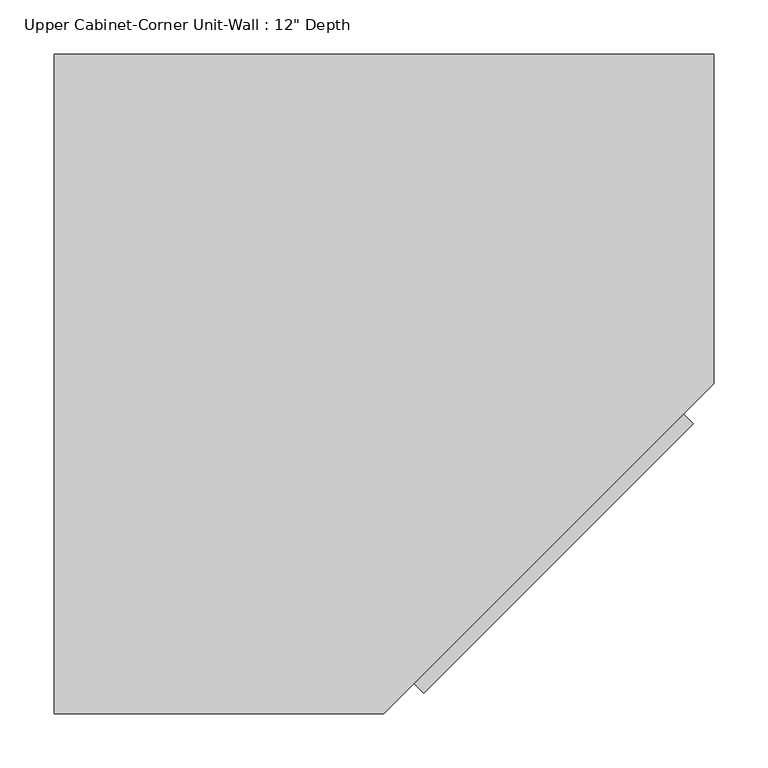
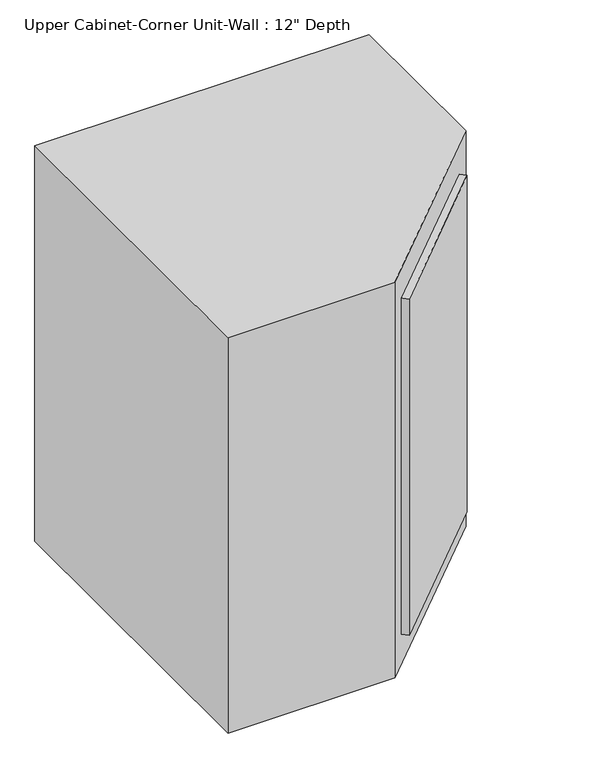
"""IFC4 building model written with IfcOpenShell, lengths in millimetres: furniture geometry."""

from ifc_helpers import new_model, si_unit, frame, origin, place, context, project, spatial, polyline, outline, extrude, faceted_brep, source, transform, mapped, element, save


def furniture_edfd1e83(model_context):
    return source(origin(), model_context, "Body", "SolidModel", [
        extrude(outline(polyline([(295.0625715, -692.4691036), (277.1020592, -674.5085913), (526.4797541, -425.1308964), (544.4402664, -443.0914087), (295.0625715, -692.4691036)])), frame((0.0, 0.0, 1428.75), z_axis=(0.0, 0.0, 1.0), x_axis=(1.0, 0.0, 0.0)), (0.0, 0.0, 1.0), 647.7),
        extrude(outline(polyline([(-27.3788372, -692.15), (-27.3788372, -120.65), (544.1211628, -120.65), (544.1211628, -398.5092316), (250.4803944, -692.15), (-27.3788372, -692.15)])), frame((0.0, 0.0, 1371.6), z_axis=(0.0, 0.0, 1.0), x_axis=(1.0, 0.0, 0.0)), (0.0, 0.0, 1.0), 25.4),
        faceted_brep([(-46.4288372, -711.2, 1371.6), (-46.4288372, -101.6, 1371.6), (563.1711628, -101.6, 1371.6), (563.1711628, -406.4, 1371.6), (258.3711628, -711.2, 1371.6), (250.4803944, -692.15, 1371.6), (544.1211628, -398.5092316, 1371.6), (544.1211628, -120.65, 1371.6), (-27.3788372, -120.65, 1371.6), (-27.3788372, -692.15, 1371.6), (-46.4288372, -711.2, 2133.6), (258.3711628, -711.2, 2133.6), (563.1711628, -406.4, 2133.6), (563.1711628, -101.6, 2133.6), (-46.4288372, -101.6, 2133.6), (-27.3788372, -692.15, 2108.2), (250.4803944, -692.15, 2108.2), (-27.3788372, -120.65, 2108.2), (544.1211628, -120.65, 2108.2), (544.1211628, -398.5092316, 2108.2), (535.4600102, -434.1111525, 2076.45), (535.4600102, -434.1111525, 1428.75), (286.0823153, -683.4888475, 1428.75), (286.0823153, -683.4888475, 2076.45), (272.6119312, -670.0184633, 2076.45), (272.6119312, -670.0184633, 1428.75), (521.9896261, -420.6407684, 1428.75), (521.9896261, -420.6407684, 2076.45)], [[[0, 1, 2, 3, 4], [5, 6, 7, 8, 9]], [[10, 11, 12, 13, 14]], [[4, 11, 10, 0]], [[9, 15, 16, 5]], [[8, 17, 15, 9]], [[7, 18, 17, 8]], [[6, 19, 18, 7]], [[2, 13, 12, 3]], [[1, 14, 13, 2]], [[0, 10, 14, 1]], [[15, 17, 18, 19, 16]], [[3, 12, 11, 4], [20, 21, 22, 23]], [[5, 16, 19, 6], [24, 25, 26, 27]], [[20, 23, 24, 27]], [[22, 21, 26, 25]], [[23, 22, 25, 24]], [[27, 26, 21, 20]]]),
    ])


if __name__ == "__main__":
    model = new_model("IFC4")
    model_context = context("Model", 3, world=origin())
    ifc_project = project(units=[si_unit("LENGTHUNIT", "METRE", prefix="MILLI")], contexts=[model_context])
    site = spatial("IfcSite", under=ifc_project)
    building = spatial("IfcBuilding", under=site)
    placement = place(None, origin())
    furniture_shape = furniture_edfd1e83(model_context)
    element("IfcFurniture", 1, ObjectType="Upper Cabinet-Corner Unit-Wall : 12\" Depth", at=placement, inside=building, context=model_context, shape_type="MappedRepresentation", body=[
        mapped(furniture_shape, transform((0.0, 0.0, 0.0), x_axis=(1.0, 0.0, 0.0), y_axis=(0.0, 1.0, 0.0), z_axis=(0.0, 0.0, 1.0))),
    ])
    save(model, "model.ifc")
